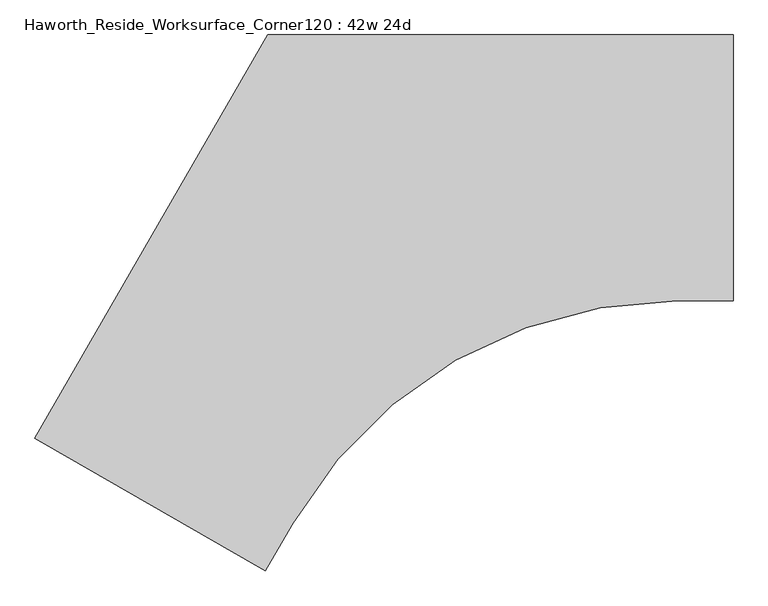
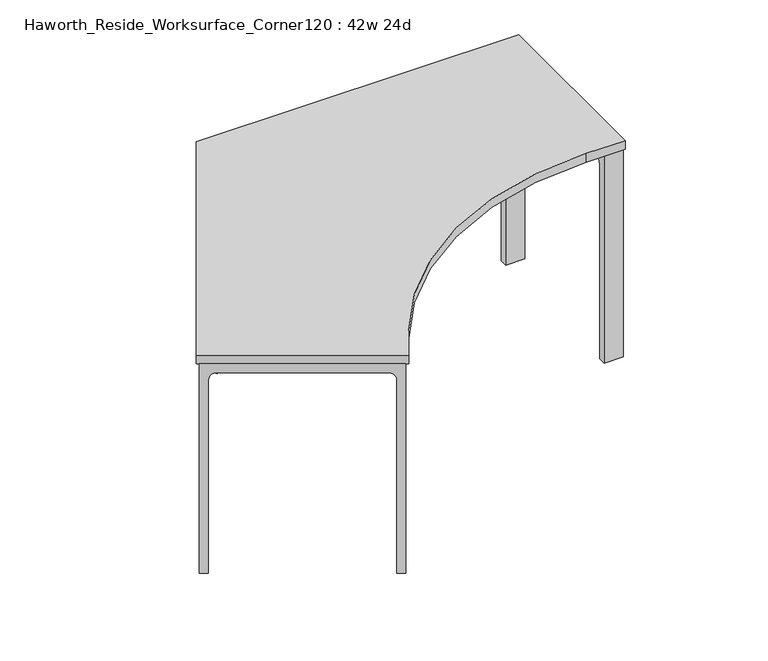
"""IFC4 building model written with IfcOpenShell, lengths in millimetres: furniture geometry, Haworth_Reside_Worksurface_Corner120 : 42w 24d."""

from ifc_helpers import new_model, si_unit, point, frame, frame_2d, origin, place, context, project, spatial, polyline, circle_curve, trimmed, segment, composite_curve, outline, extrude, source, transform, mapped, element, save


def haworth_reside_worksurface_corner120_42w_24d_b82265ad(model_context):
    return source(origin(), model_context, "Body", "SweptSolid", [
        extrude(outline(composite_curve([segment(polyline([(0.0, 0.0), (146.0500001, 0.0), (146.0500001, -731.8375), (120.65, -731.8375), (120.65, -55.5625)]), True, "CONTINUOUS"), segment(trimmed(circle_curve(frame_2d((95.25, -55.5625)), 25.4), [point((120.65, -55.5625))], [point((95.25, -30.1625))], True, "CARTESIAN"), True, "CONTINUOUS"), segment(polyline([(95.25, -30.1625), (0.0, -30.1625), (0.0, 0.0)]), True, "CONTINUOUS")], self_intersect=False)), frame((-684.7213066, 107.4493766, 731.8375), z_axis=(0.866025403784444, 0.49999999999999084, 0.0), x_axis=(-0.49999999999999084, 0.866025403784444, 0.0)), (0.0, 0.0, 1.0), 63.5),
        extrude(outline(composite_curve([segment(polyline([(0.0, 0.0), (527.05, 0.0), (527.05, -731.8375), (501.65, -731.8375), (501.65, -55.5625)]), True, "CONTINUOUS"), segment(trimmed(circle_curve(frame_2d((476.25, -55.5625)), 25.4), [point((501.65, -55.5625))], [point((476.25, -30.1625))], True, "CARTESIAN"), True, "CONTINUOUS"), segment(polyline([(476.25, -30.1625), (0.0, -30.1625), (0.0, 0.0)]), True, "CONTINUOUS")], self_intersect=False)), frame((-494.2213066, -222.5063022, 731.8375), z_axis=(0.866025403784444, 0.49999999999999084, 0.0), x_axis=(-0.49999999999999084, 0.866025403784444, 0.0)), (0.0, 0.0, 1.0), 63.5),
        extrude(outline(composite_curve([segment(trimmed(circle_curve(frame_2d((244.475, 676.275)), 25.4), [point((269.875, 676.275))], [point((244.475, 701.675))], True, "CARTESIAN"), True, "CONTINUOUS"), segment(polyline([(244.475, 701.675), (-244.475, 701.675)]), True, "CONTINUOUS"), segment(trimmed(circle_curve(frame_2d((-244.475, 676.275)), 25.4), [point((-244.475, 701.675))], [point((-269.875, 676.275))], True, "CARTESIAN"), True, "CONTINUOUS"), segment(polyline([(-269.875, 676.275), (-269.875, 0.0), (-295.275, 0.0), (-295.275, 731.8375), (295.275, 731.8375), (295.275, 0.0), (269.875, 0.0), (269.875, 676.275)]), True, "CONTINUOUS")], self_intersect=False)), frame((241.3, 0.0, 0.0), z_axis=(1.0, 0.0, 0.0), x_axis=(0.0, 1.0, 0.0)), (0.0, 0.0, 1.0), 63.5),
        extrude(outline(composite_curve([segment(trimmed(circle_curve(frame_2d((676.275, 25.4)), 25.4), [point((676.275, 0.0))], [point((701.675, 25.4))], True, "CARTESIAN"), True, "CONTINUOUS"), segment(polyline([(701.675, 25.4), (701.675, 514.3500001)]), True, "CONTINUOUS"), segment(trimmed(circle_curve(frame_2d((676.275, 514.3500001)), 25.4), [point((701.675, 514.3500001))], [point((676.275, 539.75))], True, "CARTESIAN"), True, "CONTINUOUS"), segment(polyline([(676.275, 539.75), (0.0, 539.75), (0.0, 565.15), (731.8375, 565.15), (731.8375, -25.4), (0.0, -25.4), (0.0, 0.0), (676.275, 0.0)]), True, "CONTINUOUS")], self_intersect=False)), frame((-1265.1540628, -636.5384008, 0.0), z_axis=(0.4999999999999951, 0.8660254037844415, 0.0), x_axis=(0.0, 0.0, 1.0)), (0.0, 0.0, 1.0), 63.5),
        extrude(outline(composite_curve([segment(polyline([(-1295.4, -619.0759008), (-762.0, 304.8), (304.8, 304.8), (304.8, -304.8), (176.5405976, -304.8)]), True, "CONTINUOUS"), segment(trimmed(circle_curve(frame_2d((176.5405976, -1320.8)), 1016.0), [point((176.5405976, -304.8))], [point((-703.3412127, -812.8))], True, "CARTESIAN"), True, "CONTINUOUS"), segment(polyline([(-703.3412127, -812.8), (-767.4709139, -923.8759008), (-1295.4, -619.0759008)]), True, "CONTINUOUS")], self_intersect=False)), frame((0.0, 0.0, 731.8375), z_axis=(0.0, 0.0, 1.0), x_axis=(1.0, 0.0, 0.0)), (0.0, 0.0, 1.0), 30.1625),
    ])


if __name__ == "__main__":
    model = new_model("IFC4")
    model_context = context("Model", 3, world=origin())
    ifc_project = project(units=[si_unit("LENGTHUNIT", "METRE", prefix="MILLI")], contexts=[model_context])
    site = spatial("IfcSite", under=ifc_project)
    building = spatial("IfcBuilding", under=site)
    placement = place(None, origin())
    haworth_reside_worksurface_corner120_42w_24d_shape = haworth_reside_worksurface_corner120_42w_24d_b82265ad(model_context)
    element("IfcFurniture", 1, ObjectType="Haworth_Reside_Worksurface_Corner120 : 42w 24d", at=placement, inside=building, context=model_context, shape_type="MappedRepresentation", body=[
        mapped(haworth_reside_worksurface_corner120_42w_24d_shape, transform((0.0, 0.0, 0.0), x_axis=(1.0, 0.0, 0.0), y_axis=(0.0, 1.0, 0.0), z_axis=(0.0, 0.0, 1.0))),
    ])
    save(model, "model.ifc")
